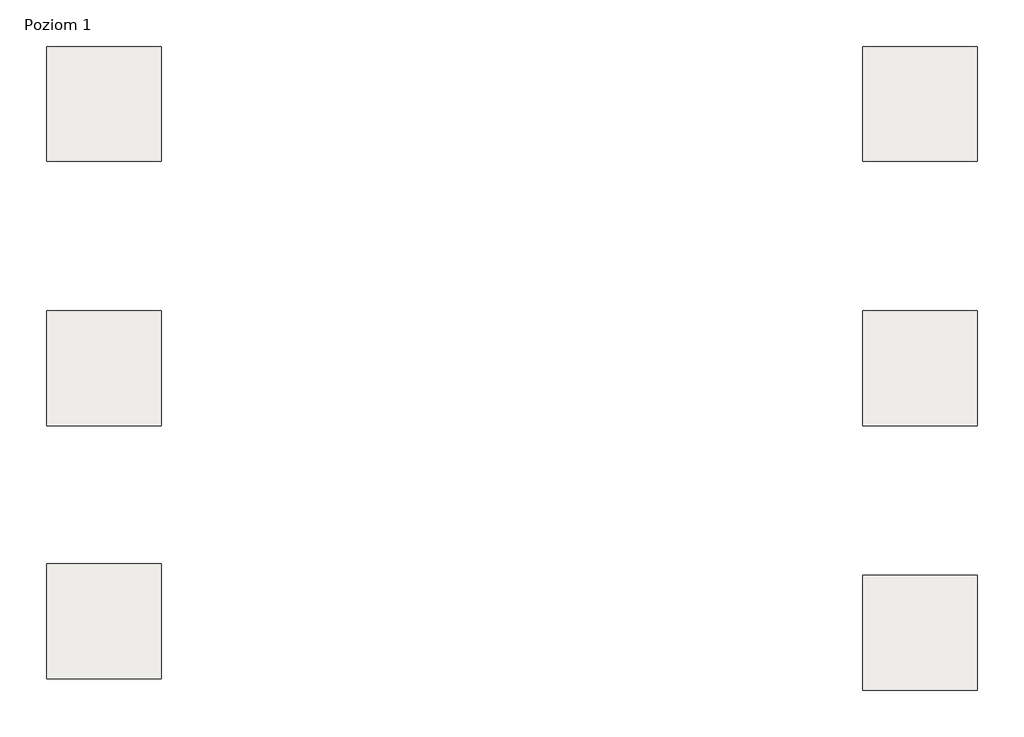
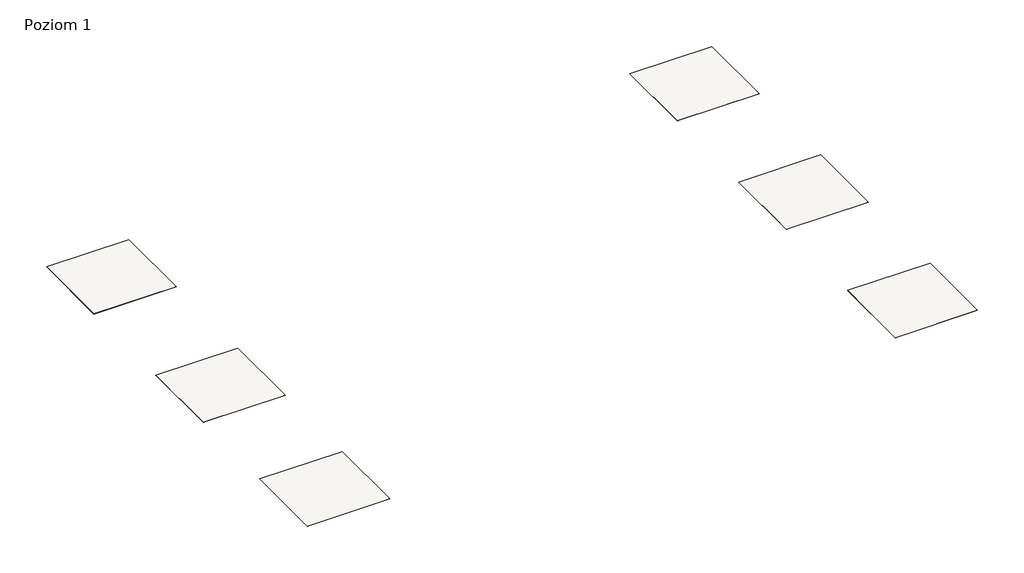
# One storey: 6 slabs.
"""IFC4 building model written with IfcOpenShell, lengths in millimetres."""

import ifcopenshell
import ifcopenshell.guid

model = None  # the IFC model being written
_history = None  # IfcOwnerHistory: only IFC2X3 demands one
_inside = {}  # id of a spatial element -> (the spatial element, [elements in it])
_under = {}  # id of a project, library or spatial element -> (it, [spatial elements below it])
_declared = {}  # id of a project -> (the project, [libraries it declares])
_typed = {}  # id of a type object -> (the type object, [elements of that type])
_made_of = {}  # id of a material, layer set ... -> (it, [elements and type objects made of it])


def new_model(schema):
    """Start an empty IFC model of exactly this schema.

    Asked for "IFC4X3", IfcOpenShell would pick the latest addendum, in which some entities
    have other attributes; the version numbers below select the first issue.
    IFC2X3 requires an IfcOwnerHistory on every rooted entity: one is made here for all.
    """
    global model, _history
    if schema == "IFC4X3":
        model = ifcopenshell.file(schema_version=(4, 3, 0, 0))
    else:
        model = ifcopenshell.file(schema=schema)
    _inside.clear()
    _under.clear()
    _declared.clear()
    _typed.clear()
    _made_of.clear()
    _history = None
    if model.schema == "IFC2X3":
        org = make("IfcOrganization", Name="unknown")
        user = make(
            "IfcPersonAndOrganization",
            ThePerson=make("IfcPerson", FamilyName="unknown"),
            TheOrganization=org,
        )
        app = make(
            "IfcApplication",
            ApplicationDeveloper=org,
            Version="unknown",
            ApplicationFullName="unknown",
            ApplicationIdentifier="unknown",
        )
        _history = make(
            "IfcOwnerHistory",
            OwningUser=user,
            OwningApplication=app,
            ChangeAction="ADDED",
            CreationDate=0,
        )
    return model


def make(cls, **values):
    """One entity of the class cls with the attributes given. An attribute that is None is left unset."""
    return model.create_entity(
        cls, **{name: value for name, value in values.items() if value is not None}
    )


def rooted(cls, **values):
    """An entity with a GlobalId (a new one), such as an element, a storey or a relation."""
    return make(cls, GlobalId=ifcopenshell.guid.new(), OwnerHistory=_history, **values)


def si_unit(unit_type, name, prefix=None):
    """IfcSIUnit, for example si_unit("LENGTHUNIT", "METRE", prefix="MILLI")."""
    return make("IfcSIUnit", UnitType=unit_type, Prefix=prefix, Name=name)


def assignment(units):
    """IfcUnitAssignment: the units of a project."""
    return None if units is None else make("IfcUnitAssignment", Units=units)


def point(xyz):
    """IfcCartesianPoint."""
    return None if xyz is None else make("IfcCartesianPoint", Coordinates=xyz)


def direction(xyz):
    """IfcDirection."""
    return None if xyz is None else make("IfcDirection", DirectionRatios=xyz)


def frame(location, z_axis=None, x_axis=None):
    """IfcAxis2Placement3D, a coordinate frame: its origin and axes. An axis left out is left unset."""
    return make(
        "IfcAxis2Placement3D",
        Location=point(location),
        Axis=direction(z_axis),
        RefDirection=direction(x_axis),
    )


def origin():
    """The frame at (0, 0, 0) with its axes left unset."""
    return frame((0.0, 0.0, 0.0))


def place(relative_to, where):
    """IfcLocalPlacement: puts the frame where relative to a parent placement (None: the world)."""
    return make(
        "IfcLocalPlacement", PlacementRelTo=relative_to, RelativePlacement=where
    )


def context(
    kind, dimensions, precision=None, world=None, true_north=None, identifier=None
):
    """IfcGeometricRepresentationContext, for example the 3D "Model" context."""
    return make(
        "IfcGeometricRepresentationContext",
        ContextIdentifier=identifier,
        ContextType=kind,
        CoordinateSpaceDimension=dimensions,
        Precision=precision,
        WorldCoordinateSystem=world,
        TrueNorth=true_north,
    )


def project(units=None, contexts=None):
    """IfcProject with its units and contexts."""
    return rooted(
        "IfcProject",
        Name="project",
        RepresentationContexts=contexts,
        UnitsInContext=assignment(units),
    )


def spatial(cls, under=None, at=None, **own):
    """A site, building, storey or space (cls), placed at a placement, below another one or the project."""
    s = rooted(cls, ObjectPlacement=at, **own)
    if under is not None:
        _under.setdefault(under.id(), (under, []))[1].append(s)
    return s


def polyline(points):
    """IfcPolyline through the points."""
    return make("IfcPolyline", Points=[point(p) for p in points])


def outline(outer, holes=None, kind="AREA"):
    """IfcArbitraryClosedProfileDef: a profile drawn as a closed curve; with holes, ...WithVoids."""
    if holes is None:
        return make("IfcArbitraryClosedProfileDef", ProfileType=kind, OuterCurve=outer)
    return make(
        "IfcArbitraryProfileDefWithVoids",
        ProfileType=kind,
        OuterCurve=outer,
        InnerCurves=holes,
    )


def extrude(swept, where, along, depth):
    """IfcExtrudedAreaSolid: the profile swept, set in the frame where, extruded along a direction by depth."""
    return make(
        "IfcExtrudedAreaSolid",
        SweptArea=swept,
        Position=where,
        ExtrudedDirection=direction(along),
        Depth=depth,
    )


def shape(context_of_items, identifier, shape_type, items):
    """IfcShapeRepresentation: the items that make up one representation, for example the "Body"."""
    return make(
        "IfcShapeRepresentation",
        ContextOfItems=context_of_items,
        RepresentationIdentifier=identifier,
        RepresentationType=shape_type,
        Items=items,
    )


def made_of(thing, what):
    """Note that an element or type object is made of a material, layer set ...; save() writes the relation."""
    if what is not None:
        _made_of.setdefault(what.id(), (what, []))[1].append(thing)
    return thing


def element(
    cls,
    number,
    at=None,
    inside=None,
    cuts=None,
    type_object=None,
    material=None,
    context=None,
    identifier="Body",
    shape_type=None,
    held_by="IfcProductDefinitionShape",
    body=None,
    shapes=None,
    **own,
):
    """One element of the class cls, such as IfcWall. Its Tag is "e" and its number.

    at: its placement. inside: the storey or other place that contains it. cuts: it is an
    opening in that element (IfcRelVoidsElement). A single representation is given by context,
    identifier, shape_type and body (its items); several are given by shapes. held_by: the class
    of the entity that holds the representations. save() writes the other relations.
    """
    e = rooted(cls, Tag="e%d" % number, ObjectPlacement=at, **own)
    if body is not None:
        shapes = [shape(context, identifier, shape_type, body)]
    if shapes is not None:
        e.Representation = make(held_by, Representations=shapes)
    if inside is not None:
        _inside.setdefault(inside.id(), (inside, []))[1].append(e)
    if cuts is not None:
        rooted(
            "IfcRelVoidsElement", RelatingBuildingElement=cuts, RelatedOpeningElement=e
        )
    if type_object is not None:
        _typed.setdefault(type_object.id(), (type_object, []))[1].append(e)
    return made_of(e, material)


def aggregate(whole, parts):
    """IfcRelAggregates: a whole, such as a stair, and the parts it consists of."""
    return rooted("IfcRelAggregates", RelatingObject=whole, RelatedObjects=parts)


def save(model, path):
    """Write the relations noted so far, then the file.

    IfcRelAggregates (storeys below a building ...), IfcRelContainedInSpatialStructure (elements
    in a storey), IfcRelDefinesByType, IfcRelAssociatesMaterial and IfcRelDeclares: one each for
    every whole, place, type object, material and project.
    """
    for whole, parts in _under.values():
        aggregate(whole, parts)
    for where, things in _inside.values():
        rooted(
            "IfcRelContainedInSpatialStructure",
            RelatedElements=things,
            RelatingStructure=where,
        )
    for kind, things in _typed.values():
        rooted("IfcRelDefinesByType", RelatedObjects=things, RelatingType=kind)
    for what, things in _made_of.values():
        rooted("IfcRelAssociatesMaterial", RelatedObjects=things, RelatingMaterial=what)
    for by, libraries in _declared.values():
        rooted("IfcRelDeclares", RelatingContext=by, RelatedDefinitions=libraries)
    model.write(path)


model = new_model("IFC4")

# Units and contexts
model_context = context("Model", 3, world=origin())
ifc_project = project(units=[si_unit("LENGTHUNIT", "METRE", prefix="MILLI")], contexts=[model_context])

# Site, building, storey
site = spatial("IfcSite", under=ifc_project)
building = spatial("IfcBuilding", under=site)
storey = spatial("IfcBuildingStorey", under=building, Name="Poziom 1", Elevation=0.0)

# Slabs
placement = place(None, origin())
element("IfcSlab", 1, at=placement, inside=storey, context=model_context, shape_type="SweptSolid", body=[
    extrude(outline(polyline([(3036.5009197, 24640.1445193), (3036.5009197, 23640.1445193), (2036.5009197, 23640.1445193), (2036.5009197, 24640.1445193), (3036.5009197, 24640.1445193)])), frame((0.0, 0.0, -1.0), z_axis=(0.0, 0.0, 1.0), x_axis=(1.0, 0.0, 0.0)), (0.0, 0.0, 1.0), 1.0),
])
element("IfcSlab", 2, at=placement, inside=storey, context=model_context, shape_type="SweptSolid", body=[
    extrude(outline(polyline([(3036.5009197, 22340.1445193), (3036.5009197, 21340.1445193), (2036.5009197, 21340.1445193), (2036.5009197, 22340.1445193), (3036.5009197, 22340.1445193)])), frame((0.0, 0.0, -1.0), z_axis=(0.0, 0.0, 1.0), x_axis=(1.0, 0.0, 0.0)), (0.0, 0.0, 1.0), 1.0),
])
element("IfcSlab", 3, at=placement, inside=storey, context=model_context, shape_type="SweptSolid", body=[
    extrude(outline(polyline([(3036.5009197, 20140.1445193), (3036.5009197, 19140.1445193), (2036.5009197, 19140.1445193), (2036.5009197, 20140.1445193), (3036.5009197, 20140.1445193)])), frame((0.0, 0.0, -1.0), z_axis=(0.0, 0.0, 1.0), x_axis=(1.0, 0.0, 0.0)), (0.0, 0.0, 1.0), 1.0),
])
element("IfcSlab", 4, at=placement, inside=storey, context=model_context, shape_type="SweptSolid", body=[
    extrude(outline(polyline([(10136.5009197, 24640.1445193), (10136.5009197, 23640.1445193), (9136.5009197, 23640.1445193), (9136.5009197, 24640.1445193), (10136.5009197, 24640.1445193)])), frame((0.0, 0.0, -1.0), z_axis=(0.0, 0.0, 1.0), x_axis=(1.0, 0.0, 0.0)), (0.0, 0.0, 1.0), 1.0),
])
element("IfcSlab", 5, at=placement, inside=storey, context=model_context, shape_type="SweptSolid", body=[
    extrude(outline(polyline([(10136.5009197, 22340.1445193), (10136.5009197, 21340.1445193), (9136.5009197, 21340.1445193), (9136.5009197, 22340.1445193), (10136.5009197, 22340.1445193)])), frame((0.0, 0.0, -1.0), z_axis=(0.0, 0.0, 1.0), x_axis=(1.0, 0.0, 0.0)), (0.0, 0.0, 1.0), 1.0),
])
element("IfcSlab", 6, at=placement, inside=storey, context=model_context, shape_type="SweptSolid", body=[
    extrude(outline(polyline([(10136.5009197, 20040.1445193), (10136.5009197, 19040.1445193), (9136.5009197, 19040.1445193), (9136.5009197, 20040.1445193), (10136.5009197, 20040.1445193)])), frame((0.0, 0.0, -1.0), z_axis=(0.0, 0.0, 1.0), x_axis=(1.0, 0.0, 0.0)), (0.0, 0.0, 1.0), 1.0),
])

save(model, "model.ifc")
